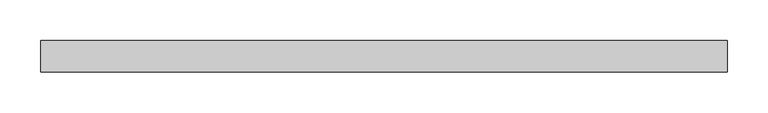
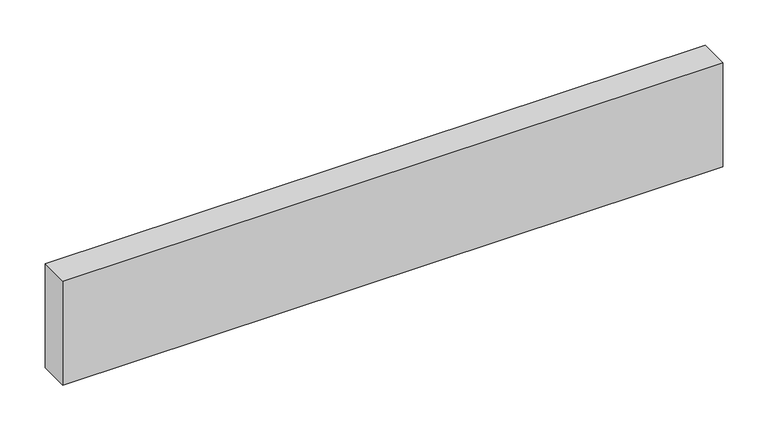
"""IFC4 building model written with IfcOpenShell, lengths in millimetres: beam geometry."""

from ifc_helpers import new_model, si_unit, frame, origin, place, context, project, spatial, polyline, outline, extrude, source, transform, mapped, element, save


def beam_91b0d795(model_context):
    return source(origin(), model_context, "Body", "SweptSolid", [
        extrude(outline(polyline([(419.1, -19.05), (-419.1, -19.05), (-419.1, 19.05), (419.1, 19.05), (419.1, -19.05)])), frame((0.0, 0.0, -69.85), z_axis=(0.0, 0.0, 1.0), x_axis=(1.0, 0.0, 0.0)), (0.0, 0.0, 1.0), 139.7),
    ])


if __name__ == "__main__":
    model = new_model("IFC4")
    model_context = context("Model", 3, world=origin())
    ifc_project = project(units=[si_unit("LENGTHUNIT", "METRE", prefix="MILLI")], contexts=[model_context])
    site = spatial("IfcSite", under=ifc_project)
    building = spatial("IfcBuilding", under=site)
    placement = place(None, origin())
    beam_shape = beam_91b0d795(model_context)
    element("IfcBeam", 1, at=placement, inside=building, context=model_context, shape_type="MappedRepresentation", body=[
        mapped(beam_shape, transform((0.0, 0.0, 0.0), x_axis=(1.0, 0.0, 0.0), y_axis=(0.0, 1.0, 0.0), z_axis=(0.0, 0.0, 1.0))),
    ])
    save(model, "model.ifc")
